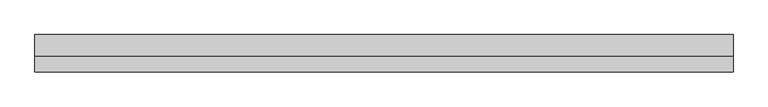
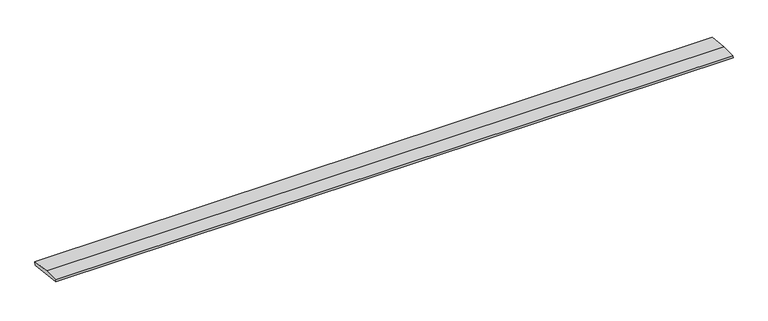
"""IFC4 building model written with IfcOpenShell, lengths in millimetres: beam geometry."""

from ifc_helpers import new_model, si_unit, frame, origin, place, context, project, spatial, polyline, outline, extrude, source, transform, mapped, element, save


def beam_dbdee737(model_context):
    return source(origin(), model_context, "Body", "SweptSolid", [
        extrude(outline(polyline([(0.0, -9.143159), (1.1226388, 0.0), (79.0749747, 0.0), (180.9387048, -12.5072934), (178.6231873, -31.3656703), (0.0, -9.143159)])), frame((-1683.32147, 0.0, 0.0), z_axis=(1.0, 0.0, 0.0), x_axis=(0.0, 1.0, 0.0)), (0.0, 0.0, 1.0), 3366.64294),
    ])


if __name__ == "__main__":
    model = new_model("IFC4")
    model_context = context("Model", 3, world=origin())
    ifc_project = project(units=[si_unit("LENGTHUNIT", "METRE", prefix="MILLI")], contexts=[model_context])
    site = spatial("IfcSite", under=ifc_project)
    building = spatial("IfcBuilding", under=site)
    placement = place(None, origin())
    beam_shape = beam_dbdee737(model_context)
    element("IfcBeam", 1, at=placement, inside=building, context=model_context, shape_type="MappedRepresentation", body=[
        mapped(beam_shape, transform((0.0, 0.0, 0.0), x_axis=(1.0, 0.0, 0.0), y_axis=(0.0, 1.0, 0.0), z_axis=(0.0, 0.0, 1.0))),
    ])
    save(model, "model.ifc")
